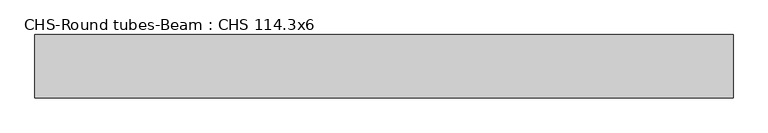
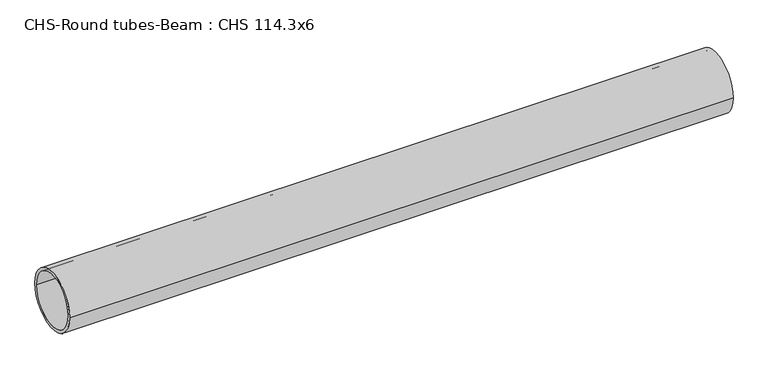
"""IFC4 building model written with IfcOpenShell, lengths in millimetres: beam geometry, CHS-Round tubes-Beam : CHS 114.3x6."""

from ifc_helpers import new_model, si_unit, point, frame, origin, origin_2d, place, context, project, spatial, circle_curve, trimmed, segment, composite_curve, outline, extrude, source, transform, mapped, element, save


def chs_round_tubes_beam_chs_114_3x6_f4ab68b0(model_context):
    return source(origin(), model_context, "Body", "SweptSolid", [
        extrude(outline(composite_curve([segment(trimmed(circle_curve(origin_2d(), 57.15), [point((57.15, 0.0))], [point((-57.15, 0.0))], False, "CARTESIAN"), True, "CONTINUOUS"), segment(trimmed(circle_curve(origin_2d(), 57.15), [point((-57.15, 0.0))], [point((57.15, 0.0))], False, "CARTESIAN"), True, "CONTINUOUS")], self_intersect=False), holes=[composite_curve([segment(trimmed(circle_curve(origin_2d(), 51.15), [point((51.15, 0.0))], [point((-51.15, 0.0))], True, "CARTESIAN"), True, "CONTINUOUS"), segment(trimmed(circle_curve(origin_2d(), 51.15), [point((-51.15, 0.0))], [point((51.15, 0.0))], True, "CARTESIAN"), True, "CONTINUOUS")], self_intersect=False)]), frame((-623.3094901, 0.0, 0.0), z_axis=(1.0, 0.0, 0.0), x_axis=(0.0, 1.0, 0.0)), (0.0, 0.0, 1.0), 1261.6210525),
    ])


if __name__ == "__main__":
    model = new_model("IFC4")
    model_context = context("Model", 3, world=origin())
    ifc_project = project(units=[si_unit("LENGTHUNIT", "METRE", prefix="MILLI")], contexts=[model_context])
    site = spatial("IfcSite", under=ifc_project)
    building = spatial("IfcBuilding", under=site)
    placement = place(None, origin())
    chs_round_tubes_beam_chs_114_3x6_shape = chs_round_tubes_beam_chs_114_3x6_f4ab68b0(model_context)
    element("IfcBeam", 1, ObjectType="CHS-Round tubes-Beam : CHS 114.3x6", at=placement, inside=building, context=model_context, shape_type="MappedRepresentation", body=[
        mapped(chs_round_tubes_beam_chs_114_3x6_shape, transform((0.0, 0.0, 0.0), x_axis=(1.0, 0.0, 0.0), y_axis=(0.0, 1.0, 0.0), z_axis=(0.0, 0.0, 1.0))),
    ])
    save(model, "model.ifc")
